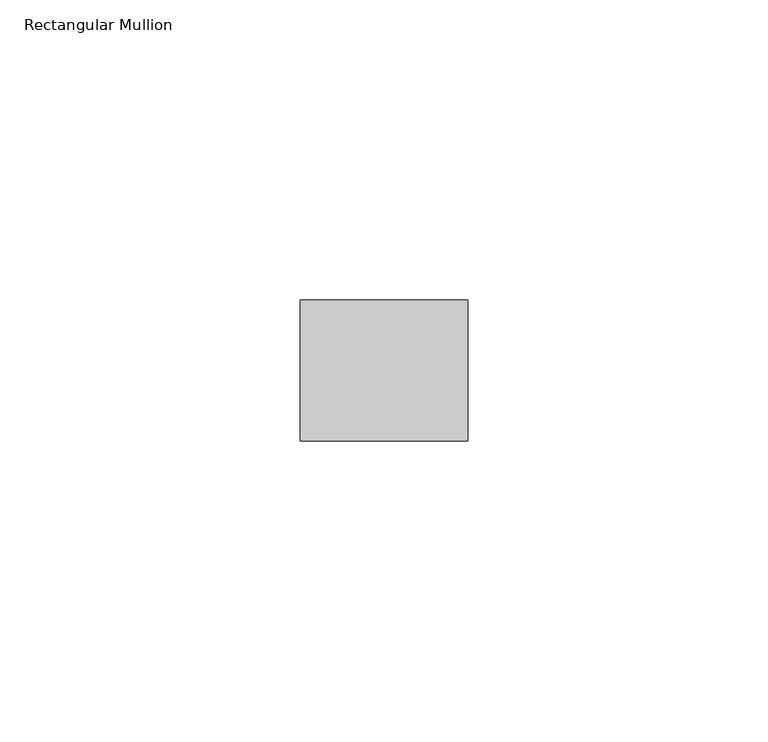
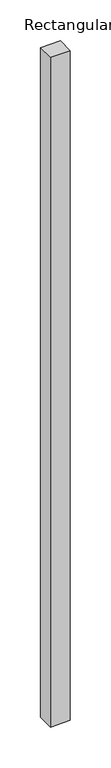
"""IFC4 building model written with IfcOpenShell, lengths in millimetres: member geometry, Rectangular Mullion."""

from ifc_helpers import new_model, si_unit, frame, origin, place, context, project, spatial, polyline, outline, extrude, source, transform, mapped, element, save


def rectangular_mullion_1db12cbf(model_context):
    return source(origin(), model_context, "Body", "SweptSolid", [
        extrude(outline(polyline([(0.0, -11.7474999), (-27.94, -11.7474999), (-27.94, 11.7474999), (0.0, 11.7474999), (0.0, -11.7474999)])), frame((0.0, 0.0, -997.2889264), z_axis=(0.0, 0.0, 1.0), x_axis=(1.0, 0.0, 0.0)), (0.0, 0.0, 1.0), 997.2889264),
    ])


if __name__ == "__main__":
    model = new_model("IFC4")
    model_context = context("Model", 3, world=origin())
    ifc_project = project(units=[si_unit("LENGTHUNIT", "METRE", prefix="MILLI")], contexts=[model_context])
    site = spatial("IfcSite", under=ifc_project)
    building = spatial("IfcBuilding", under=site)
    placement = place(None, origin())
    rectangular_mullion_shape = rectangular_mullion_1db12cbf(model_context)
    element("IfcMember", 1, ObjectType="Rectangular Mullion", at=placement, inside=building, context=model_context, shape_type="MappedRepresentation", body=[
        mapped(rectangular_mullion_shape, transform((0.0, 0.0, 0.0), x_axis=(1.0, 0.0, 0.0), y_axis=(0.0, 1.0, 0.0), z_axis=(0.0, 0.0, 1.0))),
    ])
    save(model, "model.ifc")
